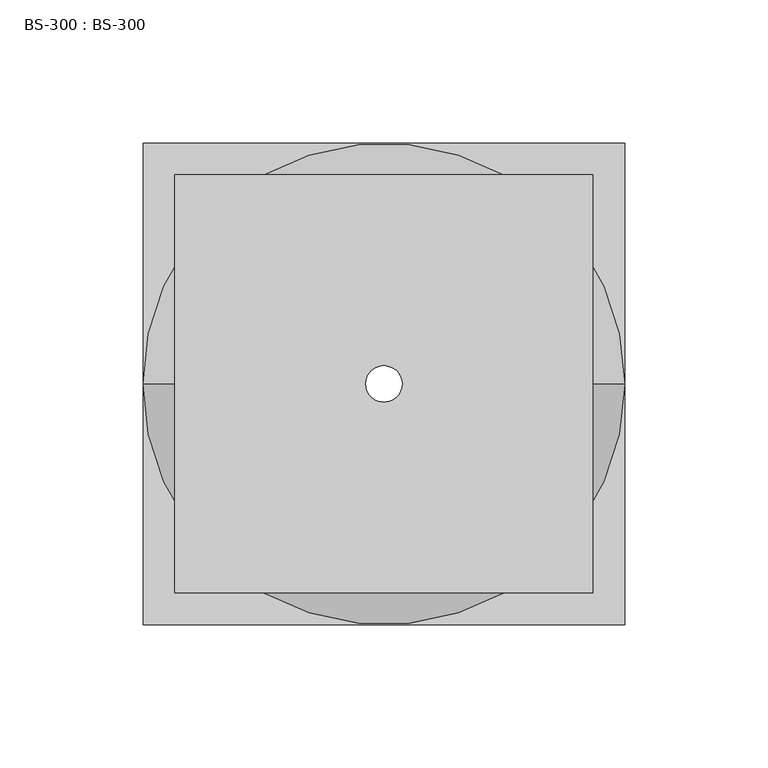
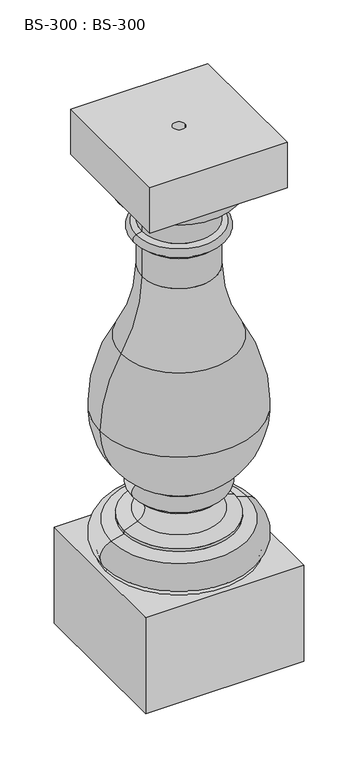
"""IFC4 building model written with IfcOpenShell, lengths in millimetres: proxy geometry, BS-300 : BS-300."""

from ifc_helpers import new_model, si_unit, point, frame, origin, place, context, project, spatial, polyline, circle_curve, ellipse_curve, trimmed, source, transform, mapped, element, save
from ifc_brep_helpers import plane_surface, cylinder_surface, revolved_surface, advanced_brep


def bs_300_bs_300_808402f1(model_context):
    return source(origin(), model_context, "Body", "AdvancedBrep", [
        advanced_brep(
        [(73.025, -73.025, 530.225), (73.025, -73.025, 581.025), (-73.025, -73.025, 581.025), (-73.025, -73.025, 530.225), (73.025, 73.025, 530.225), (-73.025, 73.025, 530.225), (-73.025, 73.025, 581.025), (73.025, 73.025, 581.025), (-6.35, 0.0, 581.025), (6.35, 0.0, 581.025), (68.2625, 0.0, 530.225), (-68.2625, 0.0, 530.225), (6.35, 0.0, 0.0), (-6.35, 0.0, 0.0), (-77.3899832, 0.0, 110.8363636), (77.3899832, 0.0, 110.8363636), (78.3027316, 0.0, 107.95), (-78.3027316, 0.0, 107.95), (-72.4368544, 0.0, 139.1413439), (72.4368544, 0.0, 139.1413439), (-58.7375, 0.0, 142.875), (58.7375, 0.0, 142.875), (-58.7375, 0.0, 146.05), (58.7375, 0.0, 146.05), (-44.4332527, 0.0, 151.8600508), (44.4332527, 0.0, 151.8600508), (-42.8625, 0.0, 174.625), (42.8625, 0.0, 174.625), (-42.8625, 0.0, 177.8), (42.8625, 0.0, 177.8), (-42.8625, 0.0, 193.675), (42.8625, 0.0, 193.675), (-41.7907679, 0.0, 193.675), (41.7907679, 0.0, 193.675), (-84.1374302, 0.0, 266.8083629), (84.1374302, 0.0, 266.8083629), (-61.9125, 0.0, 346.2021018), (61.9125, 0.0, 346.2021018), (-39.6875, 0.0, 425.45), (39.6875, 0.0, 425.45), (-39.6875, 0.0, 460.375), (39.6875, 0.0, 460.375), (-41.275, 0.0, 460.375), (41.275, 0.0, 460.375), (-41.275, 0.0, 463.55), (41.275, 0.0, 463.55), (-42.8625, 0.0, 463.55), (42.8625, 0.0, 463.55), (-46.779061, 0.0, 465.7458598), (46.779061, 0.0, 465.7458598), (-45.7835, 0.0, 474.472), (45.7835, 0.0, 474.472), (-39.6875, 0.0, 476.25), (39.6875, 0.0, 476.25), (-39.6875, 0.0, 500.0625), (39.6875, 0.0, 500.0625), (-42.8625, 0.0, 500.0625), (42.8625, 0.0, 500.0625), (-42.8625, 0.0, 504.825), (42.8625, 0.0, 504.825), (84.1375, -84.1375, 0.0), (84.1375, -84.1375, 107.95), (-84.1375, -84.1375, 107.95), (-84.1375, -84.1375, 0.0), (84.1375, 84.1375, 0.0), (-84.1375, 84.1375, 0.0), (-84.1375, 84.1375, 107.95), (84.1375, 84.1375, 107.95)],
        [
            (0, 1),
            (1, 2),
            (2, 3),
            (3, 0),
            (4, 5),
            (5, 6),
            (6, 7),
            (7, 4),
            (1, 7),
            (6, 2),
            (8, 9, circle_curve(frame((0.0, 0.0, 581.025), z_axis=(0.0, 0.0, -1.0), x_axis=(1.0, 0.0, 0.0)), 6.35)),
            (9, 8, circle_curve(frame((0.0, 0.0, 581.025), z_axis=(0.0, 0.0, -1.0), x_axis=(1.0, 0.0, 0.0)), 6.35)),
            (5, 3),
            (4, 0),
            (10, 11, circle_curve(frame((0.0, 0.0, 530.225), z_axis=(0.0, 0.0, 1.0), x_axis=(1.0, 0.0, 0.0)), 68.2625)),
            (11, 10, circle_curve(frame((0.0, 0.0, 530.225), z_axis=(0.0, 0.0, 1.0), x_axis=(1.0, 0.0, 0.0)), 68.2625)),
            (12, 9),
            (8, 13),
            (13, 12, circle_curve(frame((0.0, 0.0, 0.0), z_axis=(0.0, 0.0, -1.0), x_axis=(1.0, 0.0, 0.0)), 6.35)),
            (12, 13, circle_curve(frame((0.0, 0.0, 0.0), z_axis=(0.0, 0.0, -1.0), x_axis=(1.0, 0.0, 0.0)), 6.35)),
            (14, 15, circle_curve(frame((0.0, 0.0, 110.8363636), z_axis=(0.0, 0.0, -1.0), x_axis=(1.0, 0.0, 0.0)), 77.3899832)),
            (15, 16, circle_curve(frame((78.3027316, 0.0, 109.5375), z_axis=(0.0, -1.0, 0.0), x_axis=(1.0, 0.0, 0.0)), 1.5875)),
            (16, 17, circle_curve(frame((0.0, 0.0, 107.95), z_axis=(0.0, 0.0, 1.0), x_axis=(1.0, 0.0, 0.0)), 78.3027316)),
            (17, 14, circle_curve(frame((-78.3027316, 0.0, 109.5375), z_axis=(0.0, -1.0, 0.0), x_axis=(-1.0, 0.0, 0.0)), 1.5875)),
            (15, 14, circle_curve(frame((0.0, 0.0, 110.8363636), z_axis=(0.0, 0.0, -1.0), x_axis=(1.0, 0.0, 0.0)), 77.3899832)),
            (17, 16, circle_curve(frame((0.0, 0.0, 107.95), z_axis=(0.0, 0.0, 1.0), x_axis=(1.0, 0.0, 0.0)), 78.3027316)),
            (14, 18, circle_curve(frame((-68.2625, 0.0, 123.825), z_axis=(0.0, 1.0, 0.0), x_axis=(-1.0, 0.0, 0.0)), 15.875)),
            (18, 19, circle_curve(frame((0.0, 0.0, 139.1413439), z_axis=(0.0, 0.0, -1.0), x_axis=(1.0, 0.0, 0.0)), 72.4368544)),
            (19, 15, circle_curve(frame((68.2625, 0.0, 123.825), z_axis=(0.0, 1.0, 0.0), x_axis=(1.0, 0.0, 0.0)), 15.875)),
            (19, 18, circle_curve(frame((0.0, 0.0, 139.1413439), z_axis=(0.0, 0.0, -1.0), x_axis=(1.0, 0.0, 0.0)), 72.4368544)),
            (18, 20),
            (20, 21, circle_curve(frame((0.0, 0.0, 142.875), z_axis=(0.0, 0.0, -1.0), x_axis=(1.0, 0.0, 0.0)), 58.7375)),
            (21, 19),
            (21, 20, circle_curve(frame((0.0, 0.0, 142.875), z_axis=(0.0, 0.0, -1.0), x_axis=(1.0, 0.0, 0.0)), 58.7375)),
            (20, 22),
            (22, 23, circle_curve(frame((0.0, 0.0, 146.05), z_axis=(0.0, 0.0, -1.0), x_axis=(1.0, 0.0, 0.0)), 58.7375)),
            (23, 21),
            (23, 22, circle_curve(frame((0.0, 0.0, 146.05), z_axis=(0.0, 0.0, -1.0), x_axis=(1.0, 0.0, 0.0)), 58.7375)),
            (22, 24),
            (24, 25, circle_curve(frame((0.0, 0.0, 151.8600508), z_axis=(0.0, 0.0, -1.0), x_axis=(1.0, 0.0, 0.0)), 44.4332527)),
            (25, 23),
            (25, 24, circle_curve(frame((0.0, 0.0, 151.8600508), z_axis=(0.0, 0.0, -1.0), x_axis=(1.0, 0.0, 0.0)), 44.4332527)),
            (24, 26, circle_curve(frame((-49.2125, 0.0, 163.6264774), z_axis=(0.0, -1.0, 0.0), x_axis=(-1.0, 0.0, 0.0)), 12.7)),
            (26, 27, circle_curve(frame((0.0, 0.0, 174.625), z_axis=(0.0, 0.0, -1.0), x_axis=(1.0, 0.0, 0.0)), 42.8625)),
            (27, 25, circle_curve(frame((49.2125, 0.0, 163.6264774), z_axis=(0.0, -1.0, 0.0), x_axis=(1.0, 0.0, 0.0)), 12.7)),
            (27, 26, circle_curve(frame((0.0, 0.0, 174.625), z_axis=(0.0, 0.0, -1.0), x_axis=(1.0, 0.0, 0.0)), 42.8625)),
            (26, 28),
            (28, 29, circle_curve(frame((0.0, 0.0, 177.8), z_axis=(0.0, 0.0, -1.0), x_axis=(1.0, 0.0, 0.0)), 42.8625)),
            (29, 27),
            (29, 28, circle_curve(frame((0.0, 0.0, 177.8), z_axis=(0.0, 0.0, -1.0), x_axis=(1.0, 0.0, 0.0)), 42.8625)),
            (28, 30, circle_curve(frame((-42.8625, 0.0, 185.7375), z_axis=(0.0, 1.0, 0.0), x_axis=(-1.0, 0.0, 0.0)), 7.9375)),
            (30, 31, circle_curve(frame((0.0, 0.0, 193.675), z_axis=(0.0, 0.0, -1.0), x_axis=(1.0, 0.0, 0.0)), 42.8625)),
            (31, 29, circle_curve(frame((42.8625, 0.0, 185.7375), z_axis=(0.0, 1.0, 0.0), x_axis=(1.0, 0.0, 0.0)), 7.9375)),
            (31, 30, circle_curve(frame((0.0, 0.0, 193.675), z_axis=(0.0, 0.0, -1.0), x_axis=(1.0, 0.0, 0.0)), 42.8625)),
            (30, 32),
            (32, 33, circle_curve(frame((0.0, 0.0, 193.675), z_axis=(0.0, 0.0, -1.0), x_axis=(1.0, 0.0, 0.0)), 41.7907679)),
            (33, 31),
            (33, 32, circle_curve(frame((0.0, 0.0, 193.675), z_axis=(0.0, 0.0, -1.0), x_axis=(1.0, 0.0, 0.0)), 41.7907679)),
            (32, 34, circle_curve(frame((0.3267371, 0.0, 266.8891917), z_axis=(0.0, 1.0, 0.0), x_axis=(-1.0, 0.0, 0.0)), 84.464206)),
            (34, 35, circle_curve(frame((0.0, 0.0, 266.8083629), z_axis=(0.0, 0.0, -1.0), x_axis=(1.0, 0.0, 0.0)), 84.1374302)),
            (35, 33, circle_curve(frame((-0.3267371, 0.0, 266.8891917), z_axis=(0.0, 1.0, 0.0), x_axis=(1.0, 0.0, 0.0)), 84.464206)),
            (35, 34, circle_curve(frame((0.0, 0.0, 266.8083629), z_axis=(0.0, 0.0, -1.0), x_axis=(1.0, 0.0, 0.0)), 84.1374302)),
            (34, 36, circle_curve(frame((68.2625, 0.0, 266.9542035), z_axis=(0.0, 1.0, 0.0), x_axis=(-0.8541666666666462, 0.0, 0.5199993322645621)), 152.4)),
            (36, 37, circle_curve(frame((0.0, 0.0, 346.2021018), z_axis=(0.0, 0.0, -1.0), x_axis=(1.0, 0.0, 0.0)), 61.9125)),
            (37, 35, circle_curve(frame((-68.2625, 0.0, 266.9542035), z_axis=(0.0, 1.0, 0.0), x_axis=(0.854166666666648, 0.0, 0.5199993322645594)), 152.4)),
            (37, 36, circle_curve(frame((0.0, 0.0, 346.2021018), z_axis=(0.0, 0.0, -1.0), x_axis=(1.0, 0.0, 0.0)), 61.9125)),
            (36, 38, circle_curve(frame((-192.0875, 0.0, 425.45), z_axis=(0.0, -1.0, 0.0), x_axis=(1.0, 0.0, 0.0)), 152.4)),
            (38, 39, circle_curve(frame((0.0, 0.0, 425.45), z_axis=(0.0, 0.0, -1.0), x_axis=(1.0, 0.0, 0.0)), 39.6875)),
            (39, 37, circle_curve(frame((192.0875, 0.0, 425.45), z_axis=(0.0, -1.0, 0.0), x_axis=(-1.0, 0.0, 0.0)), 152.4)),
            (39, 38, circle_curve(frame((0.0, 0.0, 425.45), z_axis=(0.0, 0.0, -1.0), x_axis=(1.0, 0.0, 0.0)), 39.6875)),
            (38, 40),
            (40, 41, circle_curve(frame((0.0, 0.0, 460.375), z_axis=(0.0, 0.0, -1.0), x_axis=(1.0, 0.0, 0.0)), 39.6875)),
            (41, 39),
            (41, 40, circle_curve(frame((0.0, 0.0, 460.375), z_axis=(0.0, 0.0, -1.0), x_axis=(1.0, 0.0, 0.0)), 39.6875)),
            (40, 42),
            (42, 43, circle_curve(frame((0.0, 0.0, 460.375), z_axis=(0.0, 0.0, -1.0), x_axis=(1.0, 0.0, 0.0)), 41.275)),
            (43, 41),
            (43, 42, circle_curve(frame((0.0, 0.0, 460.375), z_axis=(0.0, 0.0, -1.0), x_axis=(1.0, 0.0, 0.0)), 41.275)),
            (42, 44),
            (44, 45, circle_curve(frame((0.0, 0.0, 463.55), z_axis=(0.0, 0.0, -1.0), x_axis=(1.0, 0.0, 0.0)), 41.275)),
            (45, 43),
            (45, 44, circle_curve(frame((0.0, 0.0, 463.55), z_axis=(0.0, 0.0, -1.0), x_axis=(1.0, 0.0, 0.0)), 41.275)),
            (44, 46),
            (46, 47, circle_curve(frame((0.0, 0.0, 463.55), z_axis=(0.0, 0.0, -1.0), x_axis=(1.0, 0.0, 0.0)), 42.8625)),
            (47, 45),
            (47, 46, circle_curve(frame((0.0, 0.0, 463.55), z_axis=(0.0, 0.0, -1.0), x_axis=(1.0, 0.0, 0.0)), 42.8625)),
            (46, 48),
            (48, 49, circle_curve(frame((0.0, 0.0, 465.7458598), z_axis=(0.0, 0.0, -1.0), x_axis=(1.0, 0.0, 0.0)), 46.779061)),
            (49, 47),
            (49, 48, circle_curve(frame((0.0, 0.0, 465.7458598), z_axis=(0.0, 0.0, -1.0), x_axis=(1.0, 0.0, 0.0)), 46.779061)),
            (48, 50, circle_curve(frame((-44.45, 0.0, 469.9), z_axis=(0.0, 1.0, 0.0), x_axis=(-1.0, 0.0, 0.0)), 4.7625)),
            (50, 51, circle_curve(frame((0.0, 0.0, 474.472), z_axis=(0.0, 0.0, -1.0), x_axis=(1.0, 0.0, 0.0)), 45.7835)),
            (51, 49, circle_curve(frame((44.45, 0.0, 469.9), z_axis=(0.0, 1.0, 0.0), x_axis=(1.0, 0.0, 0.0)), 4.7625)),
            (51, 50, circle_curve(frame((0.0, 0.0, 474.472), z_axis=(0.0, 0.0, -1.0), x_axis=(1.0, 0.0, 0.0)), 45.7835)),
            (50, 52),
            (52, 53, circle_curve(frame((0.0, 0.0, 476.25), z_axis=(0.0, 0.0, -1.0), x_axis=(1.0, 0.0, 0.0)), 39.6875)),
            (53, 51),
            (53, 52, circle_curve(frame((0.0, 0.0, 476.25), z_axis=(0.0, 0.0, -1.0), x_axis=(1.0, 0.0, 0.0)), 39.6875)),
            (52, 54),
            (54, 55, circle_curve(frame((0.0, 0.0, 500.0625), z_axis=(0.0, 0.0, -1.0), x_axis=(1.0, 0.0, 0.0)), 39.6875)),
            (55, 53),
            (55, 54, circle_curve(frame((0.0, 0.0, 500.0625), z_axis=(0.0, 0.0, -1.0), x_axis=(1.0, 0.0, 0.0)), 39.6875)),
            (54, 56),
            (56, 57, circle_curve(frame((0.0, 0.0, 500.0625), z_axis=(0.0, 0.0, -1.0), x_axis=(1.0, 0.0, 0.0)), 42.8625)),
            (57, 55),
            (57, 56, circle_curve(frame((0.0, 0.0, 500.0625), z_axis=(0.0, 0.0, -1.0), x_axis=(1.0, 0.0, 0.0)), 42.8625)),
            (56, 58),
            (58, 59, circle_curve(frame((0.0, 0.0, 504.825), z_axis=(0.0, 0.0, -1.0), x_axis=(1.0, 0.0, 0.0)), 42.8625)),
            (59, 57),
            (59, 58, circle_curve(frame((0.0, 0.0, 504.825), z_axis=(0.0, 0.0, -1.0), x_axis=(1.0, 0.0, 0.0)), 42.8625)),
            (58, 11, circle_curve(frame((-42.8625, 0.0, 530.225), z_axis=(0.0, 1.0, 0.0), x_axis=(-1.0, 0.0, 0.0)), 25.4)),
            (10, 59, circle_curve(frame((42.8625, 0.0, 530.225), z_axis=(0.0, 1.0, 0.0), x_axis=(1.0, 0.0, 0.0)), 25.4)),
            (60, 61),
            (61, 62),
            (62, 63),
            (63, 60),
            (64, 65),
            (65, 66),
            (66, 67),
            (67, 64),
            (61, 67),
            (66, 62),
            (65, 63),
            (64, 60),
        ],
        [
            plane_surface(frame((73.025, -73.025, 581.025), z_axis=(0.0, -1.0, 0.0), x_axis=(0.0, 0.0, 1.0))),
            plane_surface(frame((73.025, 73.025, 581.025), z_axis=(0.0, 1.0, 0.0), x_axis=(0.0, 0.0, -1.0))),
            plane_surface(frame((73.025, -73.025, 581.025), z_axis=(0.0, 0.0, 1.0), x_axis=(0.0, 1.0, 0.0))),
            plane_surface(frame((-73.025, -73.025, 581.025), z_axis=(-1.0, 0.0, 0.0), x_axis=(0.0, 1.0, 0.0))),
            plane_surface(frame((-73.025, -73.025, 530.225), z_axis=(0.0, 0.0, -1.0), x_axis=(0.0, 1.0, 0.0))),
            plane_surface(frame((73.025, -73.025, 530.225), z_axis=(1.0, 0.0, 0.0), x_axis=(0.0, 1.0, 0.0))),
            revolved_surface(polyline([(6.35, 0.0, 0.0), (6.35, 0.0, 581.025)]), (0.0, 0.0, 581.025), (0.0, 0.0, -1.0)),
            revolved_surface(trimmed(ellipse_curve(frame((78.3027316, 0.0, 109.5375), z_axis=(0.0, 1.0, 0.0), x_axis=(1.0, 0.0, 0.0)), 1.5875, 1.5875), [point((78.3027316, 0.0, 107.95))], [point((77.3899832, 0.0, 110.8363636))], True, "CARTESIAN"), (0.0, 0.0, 530.225), (0.0, 0.0, 1.0)),
            revolved_surface(trimmed(ellipse_curve(frame((68.2625, 0.0, 123.825), z_axis=(0.0, -1.0, 0.0), x_axis=(1.0, 0.0, 0.0)), 15.875, 15.875), [point((77.3899832, 0.0, 110.8363636))], [point((72.4368544, 0.0, 139.1413439))], True, "CARTESIAN"), (0.0, 0.0, 530.225), (0.0, 0.0, 1.0)),
            revolved_surface(polyline([(72.4368544, 0.0, 139.1413439), (58.7375, 0.0, 142.875)]), (0.0, 0.0, 530.225), (0.0, 0.0, 1.0)),
            cylinder_surface(frame((0.0, 0.0, 530.225), z_axis=(0.0, 0.0, 1.0), x_axis=(1.0, 0.0, 0.0)), 58.7375),
            revolved_surface(polyline([(58.7375, 0.0, 146.05), (44.4332527, 0.0, 151.8600508)]), (0.0, 0.0, 530.225), (0.0, 0.0, 1.0)),
            revolved_surface(trimmed(ellipse_curve(frame((49.2125, 0.0, 163.6264774), z_axis=(0.0, 1.0, 0.0), x_axis=(1.0, 0.0, 0.0)), 12.7, 12.7), [point((44.4332527, 0.0, 151.8600508))], [point((42.8625, 0.0, 174.625))], True, "CARTESIAN"), (0.0, 0.0, 530.225), (0.0, 0.0, 1.0)),
            cylinder_surface(frame((0.0, 0.0, 530.225), z_axis=(0.0, 0.0, 1.0), x_axis=(1.0, 0.0, 0.0)), 42.8625),
            revolved_surface(trimmed(ellipse_curve(frame((42.8625, 0.0, 185.7375), z_axis=(0.0, -1.0, 0.0), x_axis=(1.0, 0.0, 0.0)), 7.9375, 7.9375), [point((42.8625, 0.0, 177.8))], [point((42.8625, 0.0, 193.675))], True, "CARTESIAN"), (0.0, 0.0, 530.225), (0.0, 0.0, 1.0)),
            plane_surface(frame((0.0, 0.0, 193.675), z_axis=(0.0, 0.0, 1.0), x_axis=(1.0, 0.0, 0.0))),
            revolved_surface(trimmed(ellipse_curve(frame((-0.3267371, 0.0, 266.8891917), z_axis=(0.0, -1.0, 0.0), x_axis=(1.0, 0.0, 0.0)), 84.464206, 84.464206), [point((41.7907679, 0.0, 193.675))], [point((84.1374302, 0.0, 266.8083629))], True, "CARTESIAN"), (0.0, 0.0, 530.225), (0.0, 0.0, 1.0)),
            revolved_surface(trimmed(ellipse_curve(frame((-68.2625, 0.0, 266.9542035), z_axis=(0.0, -1.0, 0.0), x_axis=(0.854166666666648, 0.0, 0.5199993322645594)), 152.4, 152.4), [point((84.1374302, 0.0, 266.8083629))], [point((61.9125, 0.0, 346.2021018))], True, "CARTESIAN"), (0.0, 0.0, 530.225), (0.0, 0.0, 1.0)),
            revolved_surface(trimmed(ellipse_curve(frame((192.0875, 0.0, 425.45), z_axis=(0.0, 1.0, 0.0), x_axis=(-1.0, 0.0, 0.0)), 152.4, 152.4), [point((61.9125, 0.0, 346.2021018))], [point((39.6875, 0.0, 425.45))], True, "CARTESIAN"), (0.0, 0.0, 530.225), (0.0, 0.0, 1.0)),
            cylinder_surface(frame((0.0, 0.0, 530.225), z_axis=(0.0, 0.0, 1.0), x_axis=(1.0, 0.0, 0.0)), 39.6875),
            plane_surface(frame((0.0, 0.0, 460.375), z_axis=(0.0, 0.0, -1.0), x_axis=(1.0, 0.0, 0.0))),
            cylinder_surface(frame((0.0, 0.0, 530.225), z_axis=(0.0, 0.0, 1.0), x_axis=(1.0, 0.0, 0.0)), 41.275),
            plane_surface(frame((0.0, 0.0, 463.55), z_axis=(0.0, 0.0, -1.0), x_axis=(1.0, 0.0, 0.0))),
            revolved_surface(polyline([(42.8625, 0.0, 463.55), (46.779061, 0.0, 465.7458598)]), (0.0, 0.0, 530.225), (0.0, 0.0, 1.0)),
            revolved_surface(trimmed(ellipse_curve(frame((44.45, 0.0, 469.9), z_axis=(0.0, -1.0, 0.0), x_axis=(1.0, 0.0, 0.0)), 4.7625, 4.7625), [point((46.779061, 0.0, 465.7458598))], [point((45.7835, 0.0, 474.472))], True, "CARTESIAN"), (0.0, 0.0, 530.225), (0.0, 0.0, 1.0)),
            revolved_surface(polyline([(45.7835, 0.0, 474.472), (39.6875, 0.0, 476.25)]), (0.0, 0.0, 530.225), (0.0, 0.0, 1.0)),
            plane_surface(frame((0.0, 0.0, 500.0625), z_axis=(0.0, 0.0, -1.0), x_axis=(1.0, 0.0, 0.0))),
            revolved_surface(trimmed(ellipse_curve(frame((42.8625, 0.0, 530.225), z_axis=(0.0, -1.0, 0.0), x_axis=(1.0, 0.0, 0.0)), 25.4, 25.4), [point((42.8625, 0.0, 504.825))], [point((68.2625, 0.0, 530.225))], True, "CARTESIAN"), (0.0, 0.0, 530.225), (0.0, 0.0, 1.0)),
            plane_surface(frame((84.1375, -84.1375, 107.95), z_axis=(0.0, -1.0, 0.0), x_axis=(0.0, 0.0, 1.0))),
            plane_surface(frame((84.1375, 84.1375, 107.95), z_axis=(0.0, 1.0, 0.0), x_axis=(0.0, 0.0, -1.0))),
            plane_surface(frame((84.1375, -84.1375, 107.95), z_axis=(0.0, 0.0, 1.0), x_axis=(0.0, 1.0, 0.0))),
            plane_surface(frame((-84.1375, -84.1375, 107.95), z_axis=(-1.0, 0.0, 0.0), x_axis=(0.0, 1.0, 0.0))),
            plane_surface(frame((-84.1375, -84.1375, 0.0), z_axis=(0.0, 0.0, -1.0), x_axis=(0.0, 1.0, 0.0))),
            plane_surface(frame((84.1375, -84.1375, 0.0), z_axis=(1.0, 0.0, 0.0), x_axis=(0.0, 1.0, 0.0))),
        ],
        [
            (0, [[1, 2, 3, 4]]),
            (1, [[5, 6, 7, 8]]),
            (2, [[-2, 9, -7, 10], [11, 12]]),
            (3, [[-3, -10, -6, 13]]),
            (4, [[-4, -13, -5, 14], [15, 16]]),
            (5, [[-1, -14, -8, -9]]),
            (6, [[17, -11, 18, 19]]),
            (6, [[-17, 20, -18, -12]]),
            (7, [[21, 22, 23, 24]]),
            (7, [[-22, 25, -24, 26]]),
            (8, [[-21, 27, 28, 29]]),
            (8, [[-25, -29, 30, -27]]),
            (9, [[-28, 31, 32, 33]]),
            (9, [[-30, -33, 34, -31]]),
            (10, [[-32, 35, 36, 37]]),
            (10, [[-34, -37, 38, -35]]),
            (11, [[-36, 39, 40, 41]]),
            (11, [[-38, -41, 42, -39]]),
            (12, [[-40, 43, 44, 45]]),
            (12, [[-42, -45, 46, -43]]),
            (13, [[-44, 47, 48, 49]]),
            (13, [[-46, -49, 50, -47]]),
            (14, [[-48, 51, 52, 53]]),
            (14, [[-50, -53, 54, -51]]),
            (15, [[-52, 55, 56, 57]]),
            (15, [[-54, -57, 58, -55]]),
            (16, [[-56, 59, 60, 61]]),
            (16, [[-58, -61, 62, -59]]),
            (17, [[-60, 63, 64, 65]]),
            (17, [[-62, -65, 66, -63]]),
            (18, [[-64, 67, 68, 69]]),
            (18, [[-66, -69, 70, -67]]),
            (19, [[-68, 71, 72, 73]]),
            (19, [[-70, -73, 74, -71]]),
            (20, [[-72, 75, 76, 77]]),
            (20, [[-74, -77, 78, -75]]),
            (21, [[-76, 79, 80, 81]]),
            (21, [[-78, -81, 82, -79]]),
            (22, [[-80, 83, 84, 85]]),
            (22, [[-82, -85, 86, -83]]),
            (23, [[-84, 87, 88, 89]]),
            (23, [[-86, -89, 90, -87]]),
            (24, [[-88, 91, 92, 93]]),
            (24, [[-90, -93, 94, -91]]),
            (25, [[-92, 95, 96, 97]]),
            (25, [[-94, -97, 98, -95]]),
            (19, [[-96, 99, 100, 101]]),
            (19, [[-98, -101, 102, -99]]),
            (26, [[-100, 103, 104, 105]]),
            (26, [[-102, -105, 106, -103]]),
            (13, [[-104, 107, 108, 109]]),
            (13, [[-106, -109, 110, -107]]),
            (27, [[-108, 111, -15, 112]]),
            (27, [[-110, -112, -16, -111]]),
            (28, [[113, 114, 115, 116]]),
            (29, [[117, 118, 119, 120]]),
            (30, [[-114, 121, -119, 122], [-23, -26]]),
            (31, [[-115, -122, -118, 123]]),
            (32, [[-116, -123, -117, 124], [-19, -20]]),
            (33, [[-113, -124, -120, -121]]),
        ],
    ),
    ])


if __name__ == "__main__":
    model = new_model("IFC4")
    model_context = context("Model", 3, world=origin())
    ifc_project = project(units=[si_unit("LENGTHUNIT", "METRE", prefix="MILLI")], contexts=[model_context])
    site = spatial("IfcSite", under=ifc_project)
    building = spatial("IfcBuilding", under=site)
    placement = place(None, origin())
    bs_300_bs_300_shape = bs_300_bs_300_808402f1(model_context)
    element("IfcBuildingElementProxy", 1, Name="BS-300 : BS-300", ObjectType="BS-300 : BS-300", at=placement, inside=building, context=model_context, shape_type="MappedRepresentation", body=[
        mapped(bs_300_bs_300_shape, transform((0.0, 0.0, 0.0), x_axis=(1.0, 0.0, 0.0), y_axis=(0.0, 1.0, 0.0), z_axis=(0.0, 0.0, 1.0))),
    ])
    save(model, "model.ifc")
